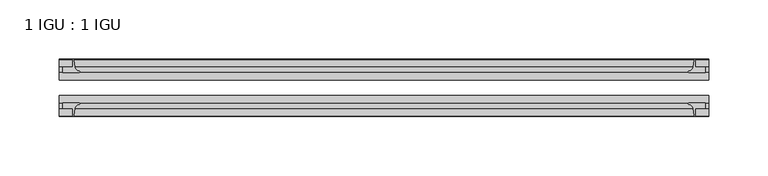
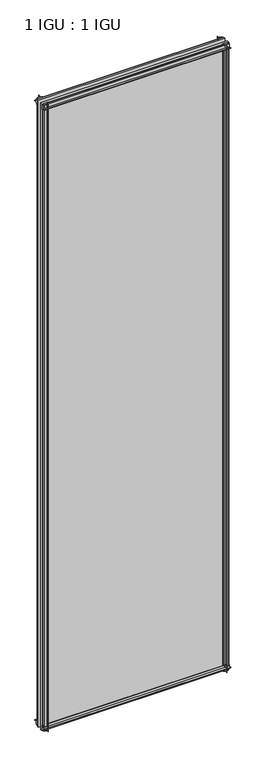
"""IFC4 building model written with IfcOpenShell, lengths in millimetres: plate geometry, 1 IGU : 1 IGU."""

from ifc_helpers import new_model, si_unit, point, frame, frame_2d, origin, place, context, project, spatial, polyline, circle_curve, trimmed, segment, composite_curve, outline, extrude, source, transform, mapped, element, save


def plate_1_igu_1_igu_c02a4c94(model_context):
    return source(origin(), model_context, "Body", "SweptSolid", [
        extrude(outline(composite_curve([segment(polyline([(-42.3267187, -8.2068385), (-47.0892187, -8.2068385), (-47.0892187, 0.0), (-53.563779, 0.0)]), True, "CONTINUOUS"), segment(trimmed(circle_curve(frame_2d((-53.0328134, 0.3482823)), 0.635), [point((-53.563779, 0.0))], [point((-53.0575397, 0.9828007))], False, "CARTESIAN"), True, "CONTINUOUS"), segment(trimmed(circle_curve(frame_2d((-54.2310045, 31.0958559)), 30.1359106), [point((-53.0575397, 0.9828007))], [point((-47.0834032, 1.8198434))], True, "CARTESIAN"), True, "CONTINUOUS"), segment(trimmed(circle_curve(frame_2d((-48.2159797, 6.4587878)), 4.7752), [point((-47.0834032, 1.8198434))], [point((-43.578416, 5.3205707))], True, "CARTESIAN"), True, "CONTINUOUS"), segment(trimmed(circle_curve(frame_2d((-42.9617187, 5.169212)), 0.635), [point((-43.578416, 5.3205707))], [point((-42.3267187, 5.169212))], False, "CARTESIAN"), True, "CONTINUOUS"), segment(polyline([(-42.3267187, 5.169212), (-42.3267187, -8.2068385)]), True, "CONTINUOUS")], self_intersect=False)), frame((-273.05, 0.0, 0.0), z_axis=(1.0, 0.0, 0.0), x_axis=(0.0, 1.0, 0.0)), (0.0, 0.0, 1.0), 546.1),
        extrude(outline(composite_curve([segment(polyline([(-16.9267187, -8.2068385), (-16.9267187, 5.169212)]), True, "CONTINUOUS"), segment(trimmed(circle_curve(frame_2d((-16.2917187, 5.169212)), 0.635), [point((-16.9267187, 5.169212))], [point((-15.6750215, 5.3205707))], False, "CARTESIAN"), True, "CONTINUOUS"), segment(trimmed(circle_curve(frame_2d((-11.0374578, 6.4587878)), 4.7752), [point((-15.6750215, 5.3205707))], [point((-12.1700343, 1.8198434))], True, "CARTESIAN"), True, "CONTINUOUS"), segment(trimmed(circle_curve(frame_2d((-5.022433, 31.0958559)), 30.1359106), [point((-12.1700343, 1.8198434))], [point((-6.1958978, 0.9828007))], True, "CARTESIAN"), True, "CONTINUOUS"), segment(trimmed(circle_curve(frame_2d((-6.2206241, 0.3482823)), 0.635), [point((-6.1958978, 0.9828007))], [point((-5.6896585, 0.0))], False, "CARTESIAN"), True, "CONTINUOUS"), segment(polyline([(-5.6896585, 0.0), (-12.1642187, 0.0), (-12.1642187, -8.2068385), (-16.9267187, -8.2068385)]), True, "CONTINUOUS")], self_intersect=False)), frame((-273.05, 0.0, 0.0), z_axis=(1.0, 0.0, 0.0), x_axis=(0.0, 1.0, 0.0)), (0.0, 0.0, 1.0), 546.1),
        extrude(outline(composite_curve([segment(polyline([(-47.0892188, 1914.5248985), (-47.0892188, 1922.731737), (-42.3267188, 1922.731737), (-42.3267188, 1909.3556865)]), True, "CONTINUOUS"), segment(trimmed(circle_curve(frame_2d((-42.9617187, 1909.3556865)), 0.635), [point((-42.3267188, 1909.3556865))], [point((-43.578416, 1909.2043278))], False, "CARTESIAN"), True, "CONTINUOUS"), segment(trimmed(circle_curve(frame_2d((-48.2159797, 1908.0661107)), 4.7752), [point((-43.578416, 1909.2043278))], [point((-47.0834032, 1912.7050551))], True, "CARTESIAN"), True, "CONTINUOUS"), segment(trimmed(circle_curve(frame_2d((-54.2310045, 1883.4290426)), 30.1359106), [point((-47.0834032, 1912.7050551))], [point((-53.0575397, 1913.5420978))], True, "CARTESIAN"), True, "CONTINUOUS"), segment(trimmed(circle_curve(frame_2d((-53.0328134, 1914.1766162)), 0.635), [point((-53.0575397, 1913.5420978))], [point((-53.563779, 1914.5248985))], False, "CARTESIAN"), True, "CONTINUOUS"), segment(polyline([(-53.563779, 1914.5248985), (-47.0892188, 1914.5248985)]), True, "CONTINUOUS")], self_intersect=False)), frame((-273.05, 0.0, 0.0), z_axis=(1.0, 0.0, 0.0), x_axis=(0.0, 1.0, 0.0)), (0.0, 0.0, 1.0), 546.1),
        extrude(outline(composite_curve([segment(polyline([(-12.1642187, 1914.5248985), (-5.6896585, 1914.5248985)]), True, "CONTINUOUS"), segment(trimmed(circle_curve(frame_2d((-6.2206241, 1914.1766162)), 0.635), [point((-5.6896585, 1914.5248985))], [point((-6.1958978, 1913.5420978))], False, "CARTESIAN"), True, "CONTINUOUS"), segment(trimmed(circle_curve(frame_2d((-5.022433, 1883.4290426)), 30.1359106), [point((-6.1958978, 1913.5420978))], [point((-12.1700343, 1912.7050551))], True, "CARTESIAN"), True, "CONTINUOUS"), segment(trimmed(circle_curve(frame_2d((-11.0374578, 1908.0661107)), 4.7752), [point((-12.1700343, 1912.7050551))], [point((-15.6750215, 1909.2043278))], True, "CARTESIAN"), True, "CONTINUOUS"), segment(trimmed(circle_curve(frame_2d((-16.2917188, 1909.3556865)), 0.635), [point((-15.6750215, 1909.2043278))], [point((-16.9267188, 1909.3556865))], False, "CARTESIAN"), True, "CONTINUOUS"), segment(polyline([(-16.9267188, 1909.3556865), (-16.9267187, 1922.731737), (-12.1642187, 1922.731737), (-12.1642187, 1914.5248985)]), True, "CONTINUOUS")], self_intersect=False)), frame((-273.05, 0.0, 0.0), z_axis=(1.0, 0.0, 0.0), x_axis=(0.0, 1.0, 0.0)), (0.0, 0.0, 1.0), 546.1),
        extrude(outline(composite_curve([segment(polyline([(261.9375, -5.6896585), (261.9375, -12.1642188), (270.1443385, -12.1642188), (270.1443385, -16.9267187), (256.768288, -16.9267187)]), True, "CONTINUOUS"), segment(trimmed(circle_curve(frame_2d((256.768288, -16.2917188)), 0.635), [point((256.768288, -16.9267187))], [point((256.6169293, -15.6750215))], False, "CARTESIAN"), True, "CONTINUOUS"), segment(trimmed(circle_curve(frame_2d((255.4787122, -11.0374578)), 4.7752), [point((256.6169293, -15.6750215))], [point((260.1176566, -12.1700343))], True, "CARTESIAN"), True, "CONTINUOUS"), segment(trimmed(circle_curve(frame_2d((230.8416441, -5.022433)), 30.1359106), [point((260.1176566, -12.1700343))], [point((260.9546993, -6.1958978))], True, "CARTESIAN"), True, "CONTINUOUS"), segment(trimmed(circle_curve(frame_2d((261.5892177, -6.2206241)), 0.635), [point((260.9546993, -6.1958978))], [point((261.9375, -5.6896585))], False, "CARTESIAN"), True, "CONTINUOUS")], self_intersect=False)), frame((0.0, 0.0, -11.1125), z_axis=(0.0, 0.0, 1.0), x_axis=(1.0, 0.0, 0.0)), (0.0, 0.0, 1.0), 1936.7498985),
        extrude(outline(composite_curve([segment(trimmed(circle_curve(frame_2d((261.5892177, -53.0328134)), 0.635), [point((261.9375, -53.563779))], [point((260.9546993, -53.0575397))], False, "CARTESIAN"), True, "CONTINUOUS"), segment(trimmed(circle_curve(frame_2d((230.8416441, -54.2310045)), 30.1359106), [point((260.9546993, -53.0575397))], [point((260.1176566, -47.0834032))], True, "CARTESIAN"), True, "CONTINUOUS"), segment(trimmed(circle_curve(frame_2d((255.4787122, -48.2159797)), 4.7752), [point((260.1176566, -47.0834032))], [point((256.6169293, -43.578416))], True, "CARTESIAN"), True, "CONTINUOUS"), segment(trimmed(circle_curve(frame_2d((256.768288, -42.9617187)), 0.635), [point((256.6169293, -43.578416))], [point((256.768288, -42.3267187))], False, "CARTESIAN"), True, "CONTINUOUS"), segment(polyline([(256.768288, -42.3267187), (270.1443385, -42.3267187), (270.1443385, -47.0892188), (261.9375, -47.0892188), (261.9375, -53.563779)]), True, "CONTINUOUS")], self_intersect=False)), frame((0.0, 0.0, -11.1125), z_axis=(0.0, 0.0, 1.0), x_axis=(1.0, 0.0, 0.0)), (0.0, 0.0, 1.0), 1936.7498985),
        extrude(outline(composite_curve([segment(trimmed(circle_curve(frame_2d((-261.5892177, -6.2206241)), 0.635), [point((-261.9375, -5.6896585))], [point((-260.9546993, -6.1958978))], False, "CARTESIAN"), True, "CONTINUOUS"), segment(trimmed(circle_curve(frame_2d((-230.8416441, -5.022433)), 30.1359106), [point((-260.9546993, -6.1958978))], [point((-260.1176566, -12.1700343))], True, "CARTESIAN"), True, "CONTINUOUS"), segment(trimmed(circle_curve(frame_2d((-255.4787122, -11.0374578)), 4.7752), [point((-260.1176566, -12.1700343))], [point((-256.6169293, -15.6750215))], True, "CARTESIAN"), True, "CONTINUOUS"), segment(trimmed(circle_curve(frame_2d((-256.768288, -16.2917187)), 0.635), [point((-256.6169293, -15.6750215))], [point((-256.768288, -16.9267187))], False, "CARTESIAN"), True, "CONTINUOUS"), segment(polyline([(-256.768288, -16.9267187), (-270.1443385, -16.9267187), (-270.1443385, -12.1642187), (-261.9375, -12.1642187), (-261.9375, -5.6896585)]), True, "CONTINUOUS")], self_intersect=False)), frame((0.0, 0.0, -11.1125), z_axis=(0.0, 0.0, 1.0), x_axis=(1.0, 0.0, 0.0)), (0.0, 0.0, 1.0), 1936.7498985),
        extrude(outline(composite_curve([segment(polyline([(-261.9375, -53.563779), (-261.9375, -47.0892187), (-270.1443385, -47.0892187), (-270.1443385, -42.3267188), (-256.768288, -42.3267188)]), True, "CONTINUOUS"), segment(trimmed(circle_curve(frame_2d((-256.768288, -42.9617187)), 0.635), [point((-256.768288, -42.3267188))], [point((-256.6169293, -43.578416))], False, "CARTESIAN"), True, "CONTINUOUS"), segment(trimmed(circle_curve(frame_2d((-255.4787122, -48.2159797)), 4.7752), [point((-256.6169293, -43.578416))], [point((-260.1176566, -47.0834032))], True, "CARTESIAN"), True, "CONTINUOUS"), segment(trimmed(circle_curve(frame_2d((-230.8416441, -54.2310045)), 30.1359106), [point((-260.1176566, -47.0834032))], [point((-260.9546993, -53.0575397))], True, "CARTESIAN"), True, "CONTINUOUS"), segment(trimmed(circle_curve(frame_2d((-261.5892177, -53.0328134)), 0.635), [point((-260.9546993, -53.0575397))], [point((-261.9375, -53.563779))], False, "CARTESIAN"), True, "CONTINUOUS")], self_intersect=False)), frame((0.0, 0.0, -11.1125), z_axis=(0.0, 0.0, 1.0), x_axis=(1.0, 0.0, 0.0)), (0.0, 0.0, 1.0), 1936.7498985),
        extrude(outline(polyline([(273.05, -16.9267187), (273.05, -23.2259187), (-273.05, -23.2259187), (-273.05, -16.9267187), (273.05, -16.9267187)])), frame((0.0, 0.0, -11.1125), z_axis=(0.0, 0.0, 1.0), x_axis=(1.0, 0.0, 0.0)), (0.0, 0.0, 1.0), 1936.7498985),
        extrude(outline(polyline([(273.05, -36.0275187), (273.05, -42.3267187), (-273.05, -42.3267187), (-273.05, -36.0275187), (273.05, -36.0275187)])), frame((0.0, 0.0, -11.1125), z_axis=(0.0, 0.0, 1.0), x_axis=(1.0, 0.0, 0.0)), (0.0, 0.0, 1.0), 1936.7498985),
    ])


if __name__ == "__main__":
    model = new_model("IFC4")
    model_context = context("Model", 3, world=origin())
    ifc_project = project(units=[si_unit("LENGTHUNIT", "METRE", prefix="MILLI")], contexts=[model_context])
    site = spatial("IfcSite", under=ifc_project)
    building = spatial("IfcBuilding", under=site)
    placement = place(None, origin())
    plate_1_igu_1_igu_shape = plate_1_igu_1_igu_c02a4c94(model_context)
    element("IfcPlate", 1, ObjectType="1 IGU : 1 IGU", at=placement, inside=building, context=model_context, shape_type="MappedRepresentation", body=[
        mapped(plate_1_igu_1_igu_shape, transform((0.0, 0.0, 0.0), x_axis=(1.0, 0.0, 0.0), y_axis=(0.0, 1.0, 0.0), z_axis=(0.0, 0.0, 1.0))),
    ])
    save(model, "model.ifc")
